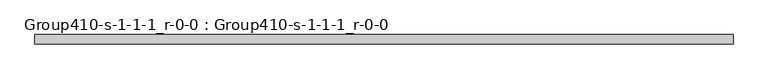
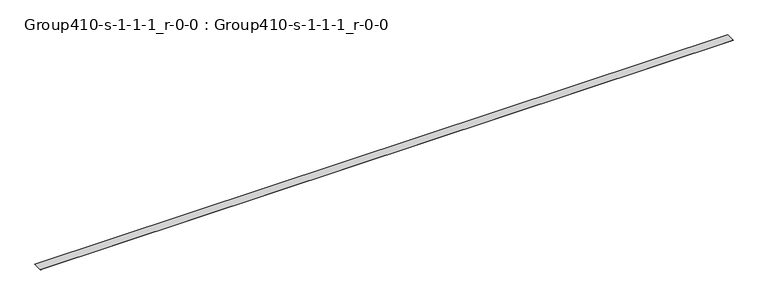
"""IFC4 building model written with IfcOpenShell, lengths in millimetres: geographic element geometry, Group410-s-1-1-1_r-0-0 : Group410-s-1-1-1_r-0-0."""

from ifc_helpers import new_model, si_unit, origin, place, context, project, spatial, triangles, source, transform, mapped, element, save


def group410_s_1_1_1_r_0_0_group410_s_1_1_1_r_0_0_551e9e26(model_context):
    return source(origin(), model_context, "Body", "Tessellation", [
        triangles([(109412.0750977, 1491.5313423, 0.0), (0.0, 0.0, 0.0), (0.0, 1491.5313423, 0.0), (109412.0750977, 0.0, 0.0), (109412.0750977, 0.0, 25.4000008), (0.0, 1491.5313423, 25.4000008), (0.0, 0.0, 25.4000008), (109412.0750977, 1491.5313423, 25.4000008)], [[1, 2, 3], [2, 1, 4], [5, 6, 7], [6, 5, 8], [1, 5, 4], [5, 1, 8], [6, 1, 3], [1, 6, 8], [6, 2, 7], [2, 6, 3], [5, 2, 4], [2, 5, 7]]),
    ])


if __name__ == "__main__":
    model = new_model("IFC4")
    model_context = context("Model", 3, world=origin())
    ifc_project = project(units=[si_unit("LENGTHUNIT", "METRE", prefix="MILLI")], contexts=[model_context])
    site = spatial("IfcSite", under=ifc_project)
    building = spatial("IfcBuilding", under=site)
    placement = place(None, origin())
    group410_s_1_1_1_r_0_0_group410_s_1_1_1_r_0_0_shape = group410_s_1_1_1_r_0_0_group410_s_1_1_1_r_0_0_551e9e26(model_context)
    element("IfcGeographicElement", 1, ObjectType="Group410-s-1-1-1_r-0-0 : Group410-s-1-1-1_r-0-0", at=placement, inside=building, context=model_context, shape_type="MappedRepresentation", body=[
        mapped(group410_s_1_1_1_r_0_0_group410_s_1_1_1_r_0_0_shape, transform((0.0, 0.0, 0.0), x_axis=(1.0, 0.0, 0.0), y_axis=(0.0, 1.0, 0.0), z_axis=(0.0, 0.0, 1.0))),
    ])
    save(model, "model.ifc")
